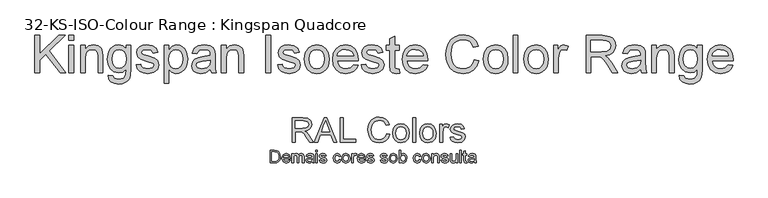
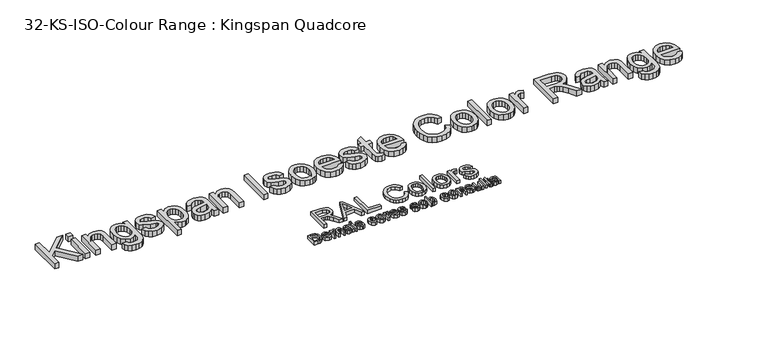
"""IFC4 building model written with IfcOpenShell, lengths in millimetres: proxy geometry, 32-KS-ISO-Colour Range : Kingspan Quadcore."""

import ifcopenshell
import ifcopenshell.guid

model = None  # the IFC model being written
_history = None  # IfcOwnerHistory: only IFC2X3 demands one
_inside = {}  # id of a spatial element -> (the spatial element, [elements in it])
_under = {}  # id of a project, library or spatial element -> (it, [spatial elements below it])
_declared = {}  # id of a project -> (the project, [libraries it declares])
_typed = {}  # id of a type object -> (the type object, [elements of that type])
_made_of = {}  # id of a material, layer set ... -> (it, [elements and type objects made of it])


def new_model(schema):
    """Start an empty IFC model of exactly this schema.

    Asked for "IFC4X3", IfcOpenShell would pick the latest addendum, in which some entities
    have other attributes; the version numbers below select the first issue.
    IFC2X3 requires an IfcOwnerHistory on every rooted entity: one is made here for all.
    """
    global model, _history
    if schema == "IFC4X3":
        model = ifcopenshell.file(schema_version=(4, 3, 0, 0))
    else:
        model = ifcopenshell.file(schema=schema)
    _inside.clear()
    _under.clear()
    _declared.clear()
    _typed.clear()
    _made_of.clear()
    _history = None
    if model.schema == "IFC2X3":
        org = make("IfcOrganization", Name="unknown")
        user = make(
            "IfcPersonAndOrganization",
            ThePerson=make("IfcPerson", FamilyName="unknown"),
            TheOrganization=org,
        )
        app = make(
            "IfcApplication",
            ApplicationDeveloper=org,
            Version="unknown",
            ApplicationFullName="unknown",
            ApplicationIdentifier="unknown",
        )
        _history = make(
            "IfcOwnerHistory",
            OwningUser=user,
            OwningApplication=app,
            ChangeAction="ADDED",
            CreationDate=0,
        )
    return model


def make(cls, **values):
    """One entity of the class cls with the attributes given. An attribute that is None is left unset."""
    return model.create_entity(
        cls, **{name: value for name, value in values.items() if value is not None}
    )


def rooted(cls, **values):
    """An entity with a GlobalId (a new one), such as an element, a storey or a relation."""
    return make(cls, GlobalId=ifcopenshell.guid.new(), OwnerHistory=_history, **values)


def si_unit(unit_type, name, prefix=None):
    """IfcSIUnit, for example si_unit("LENGTHUNIT", "METRE", prefix="MILLI")."""
    return make("IfcSIUnit", UnitType=unit_type, Prefix=prefix, Name=name)


def assignment(units):
    """IfcUnitAssignment: the units of a project."""
    return None if units is None else make("IfcUnitAssignment", Units=units)


def point(xyz):
    """IfcCartesianPoint."""
    return None if xyz is None else make("IfcCartesianPoint", Coordinates=xyz)


def direction(xyz):
    """IfcDirection."""
    return None if xyz is None else make("IfcDirection", DirectionRatios=xyz)


def frame(location, z_axis=None, x_axis=None):
    """IfcAxis2Placement3D, a coordinate frame: its origin and axes. An axis left out is left unset."""
    return make(
        "IfcAxis2Placement3D",
        Location=point(location),
        Axis=direction(z_axis),
        RefDirection=direction(x_axis),
    )


def origin():
    """The frame at (0, 0, 0) with its axes left unset."""
    return frame((0.0, 0.0, 0.0))


def origin_with_axes():
    """The frame at (0, 0, 0) with the z axis (0, 0, 1) and the x axis (1, 0, 0) written out."""
    return frame((0.0, 0.0, 0.0), z_axis=(0.0, 0.0, 1.0), x_axis=(1.0, 0.0, 0.0))


def place(relative_to, where):
    """IfcLocalPlacement: puts the frame where relative to a parent placement (None: the world)."""
    return make(
        "IfcLocalPlacement", PlacementRelTo=relative_to, RelativePlacement=where
    )


def context(
    kind, dimensions, precision=None, world=None, true_north=None, identifier=None
):
    """IfcGeometricRepresentationContext, for example the 3D "Model" context."""
    return make(
        "IfcGeometricRepresentationContext",
        ContextIdentifier=identifier,
        ContextType=kind,
        CoordinateSpaceDimension=dimensions,
        Precision=precision,
        WorldCoordinateSystem=world,
        TrueNorth=true_north,
    )


def project(units=None, contexts=None):
    """IfcProject with its units and contexts."""
    return rooted(
        "IfcProject",
        Name="project",
        RepresentationContexts=contexts,
        UnitsInContext=assignment(units),
    )


def spatial(cls, under=None, at=None, **own):
    """A site, building, storey or space (cls), placed at a placement, below another one or the project."""
    s = rooted(cls, ObjectPlacement=at, **own)
    if under is not None:
        _under.setdefault(under.id(), (under, []))[1].append(s)
    return s


def polyline(points):
    """IfcPolyline through the points."""
    return make("IfcPolyline", Points=[point(p) for p in points])


def outline(outer, holes=None, kind="AREA"):
    """IfcArbitraryClosedProfileDef: a profile drawn as a closed curve; with holes, ...WithVoids."""
    if holes is None:
        return make("IfcArbitraryClosedProfileDef", ProfileType=kind, OuterCurve=outer)
    return make(
        "IfcArbitraryProfileDefWithVoids",
        ProfileType=kind,
        OuterCurve=outer,
        InnerCurves=holes,
    )


def extrude(swept, where, along, depth):
    """IfcExtrudedAreaSolid: the profile swept, set in the frame where, extruded along a direction by depth."""
    return make(
        "IfcExtrudedAreaSolid",
        SweptArea=swept,
        Position=where,
        ExtrudedDirection=direction(along),
        Depth=depth,
    )


def shape(context_of_items, identifier, shape_type, items):
    """IfcShapeRepresentation: the items that make up one representation, for example the "Body"."""
    return make(
        "IfcShapeRepresentation",
        ContextOfItems=context_of_items,
        RepresentationIdentifier=identifier,
        RepresentationType=shape_type,
        Items=items,
    )


def source(mapping_origin, context_of_items, identifier, shape_type, items):
    """IfcRepresentationMap: a shape defined once, which mapped items show again and again."""
    return make(
        "IfcRepresentationMap",
        MappingOrigin=mapping_origin,
        MappedRepresentation=shape(context_of_items, identifier, shape_type, items),
    )


def transform(
    local_origin,
    x_axis=None,
    y_axis=None,
    z_axis=None,
    scale=None,
    scale2=None,
    scale3=None,
    uniform=True,
):
    """IfcCartesianTransformationOperator3D, or its non-uniform kind. x_axis, y_axis, z_axis: its Axis1, 2, 3."""
    if uniform:
        return make(
            "IfcCartesianTransformationOperator3D",
            Axis1=direction(x_axis),
            Axis2=direction(y_axis),
            LocalOrigin=point(local_origin),
            Scale=scale,
            Axis3=direction(z_axis),
        )
    return make(
        "IfcCartesianTransformationOperator3DnonUniform",
        Axis1=direction(x_axis),
        Axis2=direction(y_axis),
        LocalOrigin=point(local_origin),
        Scale=scale,
        Axis3=direction(z_axis),
        Scale2=scale2,
        Scale3=scale3,
    )


def mapped(mapping_source, mapping_target):
    """IfcMappedItem: shows the shape of a source again, moved by a transform."""
    return make(
        "IfcMappedItem", MappingSource=mapping_source, MappingTarget=mapping_target
    )


def made_of(thing, what):
    """Note that an element or type object is made of a material, layer set ...; save() writes the relation."""
    if what is not None:
        _made_of.setdefault(what.id(), (what, []))[1].append(thing)
    return thing


def element(
    cls,
    number,
    at=None,
    inside=None,
    cuts=None,
    type_object=None,
    material=None,
    context=None,
    identifier="Body",
    shape_type=None,
    held_by="IfcProductDefinitionShape",
    body=None,
    shapes=None,
    **own,
):
    """One element of the class cls, such as IfcWall. Its Tag is "e" and its number.

    at: its placement. inside: the storey or other place that contains it. cuts: it is an
    opening in that element (IfcRelVoidsElement). A single representation is given by context,
    identifier, shape_type and body (its items); several are given by shapes. held_by: the class
    of the entity that holds the representations. save() writes the other relations.
    """
    e = rooted(cls, Tag="e%d" % number, ObjectPlacement=at, **own)
    if body is not None:
        shapes = [shape(context, identifier, shape_type, body)]
    if shapes is not None:
        e.Representation = make(held_by, Representations=shapes)
    if inside is not None:
        _inside.setdefault(inside.id(), (inside, []))[1].append(e)
    if cuts is not None:
        rooted(
            "IfcRelVoidsElement", RelatingBuildingElement=cuts, RelatedOpeningElement=e
        )
    if type_object is not None:
        _typed.setdefault(type_object.id(), (type_object, []))[1].append(e)
    return made_of(e, material)


def aggregate(whole, parts):
    """IfcRelAggregates: a whole, such as a stair, and the parts it consists of."""
    return rooted("IfcRelAggregates", RelatingObject=whole, RelatedObjects=parts)


def save(model, path):
    """Write the relations noted so far, then the file.

    IfcRelAggregates (storeys below a building ...), IfcRelContainedInSpatialStructure (elements
    in a storey), IfcRelDefinesByType, IfcRelAssociatesMaterial and IfcRelDeclares: one each for
    every whole, place, type object, material and project.
    """
    for whole, parts in _under.values():
        aggregate(whole, parts)
    for where, things in _inside.values():
        rooted(
            "IfcRelContainedInSpatialStructure",
            RelatedElements=things,
            RelatingStructure=where,
        )
    for kind, things in _typed.values():
        rooted("IfcRelDefinesByType", RelatedObjects=things, RelatingType=kind)
    for what, things in _made_of.values():
        rooted("IfcRelAssociatesMaterial", RelatedObjects=things, RelatingMaterial=what)
    for by, libraries in _declared.values():
        rooted("IfcRelDeclares", RelatingContext=by, RelatedDefinitions=libraries)
    model.write(path)


def proxy_32_ks_iso_colour_range_kingspan_quadcore_090bf5c3(model_context):
    return source(origin(), model_context, "Body", "SweptSolid", [
        extrude(outline(polyline([(-450.3436876, 338.0446852), (-450.3436876, 388.2728402), (-433.0164456, 388.2728402), (-424.0523877, 387.549339), (-416.6702223, 383.9563582), (-410.7227967, 375.3724449), (-408.7484967, 363.4285428), (-410.0851346, 353.2933939), (-413.5186999, 345.9786735), (-418.1049621, 341.4230681), (-424.10757, 338.9030765), (-432.1825798, 338.0446852), (-450.3436876, 338.0446852)]), holes=[polyline([(-444.0651682, 344.3232045), (-432.955132, 344.3232045), (-424.8739908, 345.2306468), (-420.2141522, 347.793558), (-416.3943108, 354.0291578), (-415.0270161, 363.5266447), (-417.7064233, 375.4214959), (-424.2240659, 380.9887767), (-433.1268102, 381.9943208), (-444.0651682, 381.9943208), (-444.0651682, 344.3232045)])]), origin_with_axes(), (0.0, 0.0, 1.0), 15.0),
        extrude(outline(polyline([(-375.0750314, 349.0320941), (-368.9191393, 348.2472792), (-374.6764926, 340.1416125), (-385.4002527, 337.2598702), (-398.4355381, 342.2324085), (-403.2547922, 356.1812675), (-398.3864871, 370.589979), (-385.755872, 375.7158015), (-373.4870074, 370.6022417), (-368.7229356, 356.2180557), (-368.7597238, 354.5257985), (-396.9762728, 354.5257985), (-393.3648979, 346.371081), (-385.2776254, 343.5383896), (-379.1217333, 344.8505021), (-375.0750314, 349.0320941)]), holes=[polyline([(-396.9762728, 360.8043179), (-375.001455, 360.8043179), (-377.5153153, 366.4942261), (-385.7803974, 369.4372821), (-393.5120507, 367.0889687), (-396.9762728, 360.8043179)])]), origin_with_axes(), (0.0, 0.0, 1.0), 15.0),
        extrude(outline(polyline([(-362.4444162, 338.0446852), (-362.4444162, 374.9309865), (-356.1658968, 374.9309865), (-356.1658968, 368.8609336), (-351.8494148, 373.8334719), (-345.7057854, 375.7158015), (-339.4150033, 373.7966837), (-335.9569126, 368.4194752), (-331.0579507, 373.8917199), (-324.8714018, 375.7158015), (-316.6615019, 372.680775), (-313.785891, 363.330441), (-313.785891, 338.0446852), (-320.0644104, 338.0446852), (-320.0644104, 360.6326397), (-320.6468902, 365.8749581), (-322.7560803, 368.4562634), (-326.3429298, 369.4372821), (-332.5172159, 366.9234218), (-334.9758939, 358.8668061), (-334.9758939, 338.0446852), (-341.2544133, 338.0446852), (-341.2544133, 361.3316155), (-342.7075472, 367.4139311), (-347.471619, 369.4372821), (-352.1191949, 368.0883814), (-355.2094036, 364.1397813), (-356.1658968, 356.6472514), (-356.1658968, 338.0446852), (-362.4444162, 338.0446852)])), origin_with_axes(), (0.0, 0.0, 1.0), 15.0),
        extrude(outline(polyline([(-280.8236642, 342.7535747), (-286.9121112, 338.4984063), (-293.6382204, 337.2598702), (-302.7555625, 340.2397144), (-305.9377418, 347.8548717), (-304.7359939, 352.8212786), (-301.5783401, 356.4265222), (-297.1821503, 358.4866614), (-291.7497595, 359.4308918), (-280.8604524, 361.5891328), (-282.5527096, 367.6223976), (-289.4934166, 369.4372821), (-295.8455124, 368.2294029), (-298.8744074, 363.9435776), (-305.1529268, 364.7283925), (-302.4367314, 370.8597591), (-296.9675524, 374.4527399), (-288.6840762, 375.7158015), (-281.0750502, 374.5998927), (-276.7769623, 371.7978582), (-274.8517132, 367.5365584), (-274.5451448, 362.042854), (-274.5451448, 354.2314929), (-274.2263138, 343.3237918), (-272.975515, 338.0446852), (-279.2540344, 338.0446852), (-280.8236642, 342.7535747)]), holes=[polyline([(-280.8236642, 355.3106135), (-290.9526818, 353.3853644), (-296.3544158, 352.3675575), (-298.800831, 350.7120885), (-299.6592224, 348.2963301), (-297.7891556, 344.899553), (-292.3015825, 343.5383896), (-285.9494867, 345.0405744), (-281.8537338, 348.6764748), (-280.8604524, 353.5325172), (-280.8236642, 355.3106135)])]), origin_with_axes(), (0.0, 0.0, 1.0), 15.0),
        extrude(outline(polyline([(-265.9121807, 338.0446852), (-265.9121807, 374.9309865), (-259.6336613, 374.9309865), (-259.6336613, 338.0446852), (-265.9121807, 338.0446852)])), origin_with_axes(), (0.0, 0.0, 1.0), 15.0),
        extrude(outline(polyline([(-265.9121807, 381.9943208), (-265.9121807, 388.2728402), (-259.6336613, 388.2728402), (-259.6336613, 381.9943208), (-265.9121807, 381.9943208)])), origin_with_axes(), (0.0, 0.0, 1.0), 15.0),
        extrude(outline(polyline([(-252.570327, 349.0320941), (-246.2918076, 349.816909), (-243.3855398, 345.1570704), (-236.7268757, 343.5383896), (-230.325729, 345.0221803), (-228.2410644, 348.5047966), (-230.3379917, 351.3252252), (-236.8004521, 353.1155842), (-246.2550194, 356.1873989), (-250.3814291, 359.7742483), (-251.7855121, 364.8387571), (-250.6573406, 369.5169898), (-247.5793946, 373.0915766), (-243.5878749, 374.9493806), (-238.186141, 375.7158015), (-230.5464582, 374.4833968), (-225.6904159, 371.1479334), (-223.5321748, 365.5132075), (-229.8106942, 364.7283925), (-232.1712704, 368.1926147), (-237.6956316, 369.4372821), (-243.7043709, 368.247797), (-245.5069927, 365.4764193), (-244.758966, 363.649272), (-242.4167839, 362.2635832), (-237.0089186, 360.9269453), (-227.7934746, 357.9716266), (-223.5137807, 354.6239004), (-221.962545, 349.1669841), (-223.7835609, 343.1582449), (-229.038142, 338.7988432), (-236.8127149, 337.2598702), (-247.7633356, 340.2274517), (-252.570327, 349.0320941)])), origin_with_axes(), (0.0, 0.0, 1.0), 15.0),
        extrude(outline(polyline([(-171.7343899, 351.3865388), (-165.4558705, 350.6017239), (-170.4958539, 340.7976688), (-180.4531932, 337.2598702), (-192.3541757, 342.1956203), (-196.8484675, 356.3529458), (-194.9293497, 366.7824003), (-189.080026, 373.483984), (-180.5390323, 375.7158015), (-170.9924946, 372.6501182), (-166.2406855, 363.9435776), (-172.5192048, 363.1587627), (-175.431604, 367.8615209), (-180.4899814, 369.4372821), (-187.7679135, 366.3348106), (-190.5699481, 356.524624), (-187.8292272, 346.622467), (-180.6616597, 343.5383896), (-174.7448909, 345.4636387), (-171.7343899, 351.3865388)])), origin_with_axes(), (0.0, 0.0, 1.0), 15.0),
        extrude(outline(polyline([(-161.5317959, 356.4878358), (-160.1736982, 365.3813831), (-156.0994051, 371.6323113), (-145.0384198, 375.7158015), (-133.1742255, 370.7432632), (-128.5695691, 357.0028706), (-130.6051829, 345.8315207), (-136.5342143, 339.5100818), (-145.0384198, 337.2598702), (-156.9761905, 342.2140144), (-161.5317959, 356.4878358)]), holes=[polyline([(-155.2532765, 356.5000986), (-152.3470088, 346.7696198), (-145.0384198, 343.5383896), (-137.7543563, 346.7880139), (-134.8480885, 356.6963023), (-137.7727504, 366.2060519), (-145.0384198, 369.4372821), (-152.3470088, 366.2183146), (-155.2532765, 356.5000986)])]), origin_with_axes(), (0.0, 0.0, 1.0), 15.0),
        extrude(outline(polyline([(-121.5062348, 338.0446852), (-121.5062348, 374.9309865), (-116.0125304, 374.9309865), (-116.0125304, 369.4740703), (-112.1129812, 374.5017909), (-108.1889066, 375.7158015), (-101.8858618, 373.7782896), (-103.9827891, 368.1496951), (-108.3973731, 369.4372821), (-111.9474343, 368.198746), (-114.2099086, 364.7651807), (-115.2277155, 357.4320663), (-115.2277155, 338.0446852), (-121.5062348, 338.0446852)])), origin_with_axes(), (0.0, 0.0, 1.0), 15.0),
        extrude(outline(polyline([(-72.1364711, 349.0320941), (-65.980579, 348.2472792), (-71.7379323, 340.1416125), (-82.4616924, 337.2598702), (-95.4969778, 342.2324085), (-100.3162319, 356.1812675), (-95.4479268, 370.589979), (-82.8173117, 375.7158015), (-70.5484471, 370.6022417), (-65.7843753, 356.2180557), (-65.8211635, 354.5257985), (-94.0377125, 354.5257985), (-90.4263376, 346.371081), (-82.3390651, 343.5383896), (-76.183173, 344.8505021), (-72.1364711, 349.0320941)]), holes=[polyline([(-94.0377125, 360.8043179), (-72.0628947, 360.8043179), (-74.576755, 366.4942261), (-82.8418371, 369.4372821), (-90.5734904, 367.0889687), (-94.0377125, 360.8043179)])]), origin_with_axes(), (0.0, 0.0, 1.0), 15.0),
        extrude(outline(polyline([(-61.8603007, 349.0320941), (-55.5817813, 349.816909), (-52.6755135, 345.1570704), (-46.0168494, 343.5383896), (-39.6157027, 345.0221803), (-37.5310381, 348.5047966), (-39.6279654, 351.3252252), (-46.0904258, 353.1155842), (-55.5449931, 356.1873989), (-59.6714028, 359.7742483), (-61.0754858, 364.8387571), (-59.9473143, 369.5169898), (-56.8693683, 373.0915766), (-52.8778486, 374.9493806), (-47.4761147, 375.7158015), (-39.8364319, 374.4833968), (-34.9803896, 371.1479334), (-32.8221485, 365.5132075), (-39.1006679, 364.7283925), (-41.4612441, 368.1926147), (-46.9856053, 369.4372821), (-52.9943446, 368.247797), (-54.7969664, 365.4764193), (-54.0489397, 363.649272), (-51.7067576, 362.2635832), (-46.2988923, 360.9269453), (-37.0834483, 357.9716266), (-32.8037544, 354.6239004), (-31.2525187, 349.1669841), (-33.0735346, 343.1582449), (-38.3281157, 338.7988432), (-46.1026886, 337.2598702), (-57.0533093, 340.2274517), (-61.8603007, 349.0320941)])), origin_with_axes(), (0.0, 0.0, 1.0), 15.0),
        extrude(outline(polyline([(-6.9232561, 349.0320941), (-0.6447367, 349.816909), (2.2615311, 345.1570704), (8.9201952, 343.5383896), (15.3213419, 345.0221803), (17.4060065, 348.5047966), (15.3090792, 351.3252252), (8.8466188, 353.1155842), (-0.6079485, 356.1873989), (-4.7343582, 359.7742483), (-6.1384412, 364.8387571), (-5.0102697, 369.5169898), (-1.9323237, 373.0915766), (2.059196, 374.9493806), (7.4609299, 375.7158015), (15.1006127, 374.4833968), (19.956655, 371.1479334), (22.1148961, 365.5132075), (15.8363767, 364.7283925), (13.4758006, 368.1926147), (7.9514393, 369.4372821), (1.9427, 368.247797), (0.1400782, 365.4764193), (0.888105, 363.649272), (3.230287, 362.2635832), (8.6381523, 360.9269453), (17.8535963, 357.9716266), (22.1332902, 354.6239004), (23.6845259, 349.1669841), (21.86351, 343.1582449), (16.6089289, 338.7988432), (8.8343561, 337.2598702), (-2.1162647, 340.2274517), (-6.9232561, 349.0320941)])), origin_with_axes(), (0.0, 0.0, 1.0), 15.0),
        extrude(outline(polyline([(29.1782304, 356.4878358), (30.5363281, 365.3813831), (34.6106212, 371.6323113), (45.6716065, 375.7158015), (57.5358008, 370.7432632), (62.1404572, 357.0028706), (60.1048434, 345.8315207), (54.175812, 339.5100818), (45.6716065, 337.2598702), (33.7338358, 342.2140144), (29.1782304, 356.4878358)]), holes=[polyline([(35.4567498, 356.5000986), (38.3630175, 346.7696198), (45.6716065, 343.5383896), (52.95567, 346.7880139), (55.8619378, 356.6963023), (52.9372759, 366.2060519), (45.6716065, 369.4372821), (38.3630175, 366.2183146), (35.4567498, 356.5000986)])]), origin_with_axes(), (0.0, 0.0, 1.0), 15.0),
        extrude(outline(polyline([(75.4823108, 338.0446852), (69.2037915, 338.0446852), (69.2037915, 388.2728402), (75.4823108, 388.2728402), (75.4823108, 369.6457485), (85.3415483, 375.7158015), (91.6323304, 374.3485067), (96.5128982, 370.5041399), (99.5111365, 364.5260574), (100.5963884, 357.0396588), (96.1020967, 342.4224809), (85.3047601, 337.2598702), (79.7221508, 338.9245363), (75.4823108, 343.9185343), (75.4823108, 338.0446852)]), holes=[polyline([(75.4823108, 356.7453532), (77.1990935, 347.9652363), (84.7651999, 343.5383896), (91.4851776, 346.8002766), (94.317869, 356.524624), (91.6016736, 366.2857597), (85.03498, 369.4372821), (78.3150022, 366.1753951), (75.4823108, 356.7453532)])]), origin_with_axes(), (0.0, 0.0, 1.0), 15.0),
        extrude(outline(polyline([(150.8245435, 351.3865388), (157.1030628, 350.6017239), (152.0630795, 340.7976688), (142.1057402, 337.2598702), (130.2047576, 342.1956203), (125.7104659, 356.3529458), (127.6295837, 366.7824003), (133.4789074, 373.483984), (142.019901, 375.7158015), (151.5664388, 372.6501182), (156.3182479, 363.9435776), (150.0397285, 363.1587627), (147.1273294, 367.8615209), (142.068952, 369.4372821), (134.7910198, 366.3348106), (131.9889853, 356.524624), (134.7297062, 346.622467), (141.8972737, 343.5383896), (147.8140425, 345.4636387), (150.8245435, 351.3865388)])), origin_with_axes(), (0.0, 0.0, 1.0), 15.0),
        extrude(outline(polyline([(161.0271375, 356.4878358), (162.3852352, 365.3813831), (166.4595283, 371.6323113), (177.5205136, 375.7158015), (189.3847079, 370.7432632), (193.9893642, 357.0028706), (191.9537505, 345.8315207), (186.024719, 339.5100818), (177.5205136, 337.2598702), (165.5827428, 342.2140144), (161.0271375, 356.4878358)]), holes=[polyline([(167.3056568, 356.5000986), (170.2119246, 346.7696198), (177.5205136, 343.5383896), (184.8045771, 346.7880139), (187.7108448, 356.6963023), (184.786183, 366.2060519), (177.5205136, 369.4372821), (170.2119246, 366.2183146), (167.3056568, 356.5000986)])]), origin_with_axes(), (0.0, 0.0, 1.0), 15.0),
        extrude(outline(polyline([(201.0526985, 338.0446852), (201.0526985, 374.9309865), (207.3312179, 374.9309865), (207.3312179, 369.7806386), (212.132078, 374.2320107), (218.6865088, 375.7158015), (224.6155403, 374.520185), (228.6622423, 371.3809253), (230.5445718, 366.7640062), (230.8756656, 360.6939533), (230.8756656, 338.0446852), (224.5971462, 338.0446852), (224.5971462, 359.8478247), (223.873645, 365.4028429), (221.3168651, 368.3397675), (217.0065144, 369.4372821), (210.1945661, 366.9724727), (207.3312179, 357.6160073), (207.3312179, 338.0446852), (201.0526985, 338.0446852)])), origin_with_axes(), (0.0, 0.0, 1.0), 15.0),
        extrude(outline(polyline([(237.154185, 349.0320941), (243.4327044, 349.816909), (246.3389721, 345.1570704), (252.9976363, 343.5383896), (259.398783, 345.0221803), (261.4834476, 348.5047966), (259.3865202, 351.3252252), (252.9240599, 353.1155842), (243.4694926, 356.1873989), (239.3430829, 359.7742483), (237.9389999, 364.8387571), (239.0671714, 369.5169898), (242.1451174, 373.0915766), (246.136637, 374.9493806), (251.538371, 375.7158015), (259.1780538, 374.4833968), (264.0340961, 371.1479334), (266.1923371, 365.5132075), (259.9138178, 364.7283925), (257.5532416, 368.1926147), (252.0288803, 369.4372821), (246.0201411, 368.247797), (244.2175193, 365.4764193), (244.965546, 363.649272), (247.3077281, 362.2635832), (252.7155934, 360.9269453), (261.9310374, 357.9716266), (266.2107312, 354.6239004), (267.761967, 349.1669841), (265.9409511, 343.1582449), (260.68637, 338.7988432), (252.9117971, 337.2598702), (241.9611764, 340.2274517), (237.154185, 349.0320941)])), origin_with_axes(), (0.0, 0.0, 1.0), 15.0),
        extrude(outline(polyline([(298.369749, 338.0446852), (298.369749, 344.3845182), (293.452393, 339.0410322), (287.0389835, 337.2598702), (281.1344775, 338.510669), (277.0632501, 341.6499287), (275.1931833, 346.2729791), (274.8253013, 352.1100401), (274.8253013, 374.9309865), (281.1038207, 374.9309865), (281.1038207, 355.0653588), (281.4839654, 348.6642121), (283.9671689, 344.9056844), (288.6454016, 343.5383896), (293.88772, 344.9363412), (297.3519421, 348.7439198), (298.369749, 355.7398091), (298.369749, 374.9309865), (304.6482684, 374.9309865), (304.6482684, 338.0446852), (298.369749, 338.0446852)])), origin_with_axes(), (0.0, 0.0, 1.0), 15.0),
        extrude(outline(polyline([(313.2812325, 338.0446852), (313.2812325, 388.2728402), (319.5597519, 388.2728402), (319.5597519, 338.0446852), (313.2812325, 338.0446852)])), origin_with_axes(), (0.0, 0.0, 1.0), 15.0),
        extrude(outline(polyline([(342.3193847, 343.2808722), (343.1041996, 337.8607442), (338.4075728, 337.2598702), (333.1468603, 338.3022026), (330.5226354, 341.036792), (329.7623459, 348.16144), (329.7623459, 368.6524672), (325.0534564, 368.6524672), (325.0534564, 374.9309865), (329.7623459, 374.9309865), (329.7623459, 383.8950445), (336.0408653, 387.5861272), (336.0408653, 374.9309865), (342.3193847, 374.9309865), (342.3193847, 368.6524672), (336.0408653, 368.6524672), (336.0408653, 348.345381), (336.3719591, 345.1080195), (339.5847952, 343.5383896), (342.3193847, 343.2808722)])), origin_with_axes(), (0.0, 0.0, 1.0), 15.0),
        extrude(outline(polyline([(372.1423518, 342.7535747), (366.0539047, 338.4984063), (359.3277956, 337.2598702), (350.2104535, 340.2397144), (347.0282742, 347.8548717), (348.2300221, 352.8212786), (351.3876759, 356.4265222), (355.7838657, 358.4866614), (361.2162565, 359.4308918), (372.1055636, 361.5891328), (370.4133064, 367.6223976), (363.4725994, 369.4372821), (357.1205036, 368.2294029), (354.0916085, 363.9435776), (347.8130891, 364.7283925), (350.5292845, 370.8597591), (355.9984635, 374.4527399), (364.2819398, 375.7158015), (371.8909657, 374.5998927), (376.1890537, 371.7978582), (378.1143028, 367.5365584), (378.4208711, 362.042854), (378.4208711, 354.2314929), (378.7397022, 343.3237918), (379.990501, 338.0446852), (373.7119816, 338.0446852), (372.1423518, 342.7535747)]), holes=[polyline([(372.1423518, 355.3106135), (362.0133342, 353.3853644), (356.6116002, 352.3675575), (354.1651849, 350.7120885), (353.3067936, 348.2963301), (355.1768604, 344.899553), (360.6644335, 343.5383896), (367.0165293, 345.0405744), (371.1122822, 348.6764748), (372.1055636, 353.5325172), (372.1423518, 355.3106135)])]), origin_with_axes(), (0.0, 0.0, 1.0), 15.0),
        extrude(outline(polyline([(-1397.4013121, 700.0), (-1397.4013121, 850.6844652), (-1378.5657539, 850.6844652), (-1378.5657539, 776.9241252), (-1301.310535, 850.6844652), (-1274.9701841, 850.6844652), (-1339.8277798, 788.7331372), (-1272.6157393, 700.0), (-1295.6451522, 700.0), (-1353.1818963, 776.0044202), (-1378.5657539, 751.7977849), (-1378.5657539, 700.0), (-1397.4013121, 700.0)])), origin_with_axes(), (0.0, 0.0, 1.0), 25.0),
        extrude(outline(polyline([(-1260.8435155, 831.8489071), (-1260.8435155, 850.6844652), (-1242.0079573, 850.6844652), (-1242.0079573, 831.8489071), (-1260.8435155, 831.8489071)])), origin_with_axes(), (0.0, 0.0, 1.0), 25.0),
        extrude(outline(polyline([(-1260.8435155, 700.0), (-1260.8435155, 810.6589041), (-1242.0079573, 810.6589041), (-1242.0079573, 700.0), (-1260.8435155, 700.0)])), origin_with_axes(), (0.0, 0.0, 1.0), 25.0),
        extrude(outline(polyline([(-1213.7546201, 700.0), (-1213.7546201, 810.6589041), (-1194.9190619, 810.6589041), (-1194.9190619, 795.2078604), (-1180.5164818, 808.5619768), (-1160.8531892, 813.0133489), (-1143.0660947, 809.4264995), (-1130.9259889, 800.0087204), (-1125.2790003, 786.1579633), (-1124.2857189, 767.9478045), (-1124.2857189, 700.0), (-1143.121277, 700.0), (-1143.121277, 765.4094187), (-1145.2917808, 782.0744731), (-1152.9621204, 790.8852469), (-1165.8931725, 794.1777908), (-1176.9250339, 792.3291837), (-1186.3290174, 786.7833627), (-1192.7715508, 776.0687996), (-1194.9190619, 758.7139664), (-1194.9190619, 700.0), (-1213.7546201, 700.0)])), origin_with_axes(), (0.0, 0.0, 1.0), 25.0),
        extrude(outline(polyline([(-1103.095716, 690.5822209), (-1084.2601578, 688.2277762), (-1078.1533167, 678.2949623), (-1059.8695815, 674.1011075), (-1040.592565, 678.8467853), (-1031.3955151, 692.1641135), (-1030.1079281, 714.1266686), (-1043.370074, 703.5316672), (-1059.5384877, 700.0), (-1078.9580585, 704.1110813), (-1093.4388136, 716.4443252), (-1102.4473239, 734.5257252), (-1105.4501607, 755.8812751), (-1100.0606895, 785.0727114), (-1093.4664047, 796.9231102), (-1084.4624929, 805.7292854), (-1073.3570552, 811.192333), (-1060.4581927, 813.0133489), (-1043.6551826, 808.8930706), (-1030.1079281, 796.5322355), (-1030.1079281, 810.6589041), (-1011.27237, 810.6589041), (-1011.27237, 715.11995), (-1012.5599569, 693.0608259), (-1016.4227179, 678.5340856), (-1023.0767835, 668.9001758), (-1032.7382844, 661.5195433), (-1045.1956884, 656.8290479), (-1060.2374635, 655.2655494), (-1077.7624421, 657.4682428), (-1091.5626154, 664.0763232), (-1100.4147759, 675.1081845), (-1103.095716, 690.5822209)]), holes=[polyline([(-1086.6146026, 757.1688621), (-1084.6050472, 739.8922039), (-1078.576381, 728.0142139), (-1069.5126883, 721.1302221), (-1058.3980535, 718.8355582), (-1047.3661922, 721.1164265), (-1038.2565143, 727.9590316), (-1032.1450747, 739.6852702), (-1030.1079281, 756.6170391), (-1032.2048555, 772.9464011), (-1038.4956376, 784.7048294), (-1047.7386727, 791.8095504), (-1058.6923591, 794.1777908), (-1069.448309, 791.8463386), (-1078.4660164, 784.8519822), (-1084.577456, 773.2682979), (-1086.6146026, 757.1688621)])]), origin_with_axes(), (0.0, 0.0, 1.0), 25.0),
        extrude(outline(polyline([(-990.082367, 732.9622268), (-971.2468089, 735.3166715), (-968.2761618, 727.2600558), (-962.5280056, 721.3371557), (-942.5520133, 716.4811134), (-923.3485731, 720.9324855), (-917.0945792, 731.3803342), (-918.6672747, 736.1811942), (-923.3853613, 739.8416201), (-942.7727425, 745.2126972), (-971.1364443, 754.4281412), (-983.5156734, 765.1886895), (-987.7279223, 780.3822159), (-984.3434079, 794.4169141), (-975.1095698, 805.1406742), (-963.1350109, 810.7140864), (-946.929809, 813.0133489), (-924.0107607, 809.3161349), (-909.4426337, 799.3097446), (-902.9679106, 782.4055669), (-921.8034687, 780.0511222), (-928.8851971, 790.4437885), (-945.458281, 794.1777908), (-963.4844988, 790.6093354), (-968.8923641, 782.2952023), (-966.6482839, 776.8137606), (-959.6217378, 772.656694), (-943.3981418, 768.6467803), (-915.7518099, 759.7808242), (-902.9127283, 749.7376457), (-898.259021, 733.366897), (-903.7220687, 715.3406792), (-919.4858122, 702.2624743), (-942.8095307, 697.6455552), (-961.8014387, 699.8712413), (-975.6613928, 706.5482995), (-984.913625, 717.6031535), (-990.082367, 732.9622268)])), origin_with_axes(), (0.0, 0.0, 1.0), 25.0),
        extrude(outline(polyline([(-877.0690181, 657.6199942), (-877.0690181, 810.6589041), (-858.23346, 810.6589041), (-858.23346, 792.191228), (-845.2104373, 807.8078187), (-827.625678, 813.0133489), (-814.8877639, 811.192333), (-803.7501365, 805.7292854), (-794.6818453, 796.9552998), (-788.1519399, 785.2014701), (-782.8912273, 756.1755807), (-784.3765509, 740.0669478), (-788.8325216, 725.6597692), (-796.1165851, 713.6852102), (-806.0861871, 704.8744364), (-817.6974626, 699.4527755), (-829.9065463, 697.6455552), (-846.2956892, 702.4832035), (-858.23346, 714.7152798), (-858.23346, 657.6199942), (-877.0690181, 657.6199942)]), holes=[polyline([(-858.23346, 754.4465353), (-856.1963134, 737.5607517), (-850.0848738, 725.7517397), (-841.0671664, 718.79877), (-830.3112165, 716.4811134), (-819.3805227, 718.8815434), (-810.1328891, 726.0828335), (-803.8283114, 738.3241068), (-801.7267855, 755.8444869), (-803.7777276, 772.6382999), (-809.930554, 784.6128589), (-818.9344658, 791.7865578), (-829.5386643, 794.1777908), (-840.1842496, 791.6348065), (-849.5330508, 784.0058536), (-856.0583577, 771.5300554), (-858.23346, 754.4465353)])]), origin_with_axes(), (0.0, 0.0, 1.0), 25.0),
        extrude(outline(polyline([(-691.0678814, 714.1266686), (-709.3332224, 701.3611634), (-729.5115498, 697.6455552), (-745.2523007, 699.8804384), (-756.8635762, 706.5850877), (-764.0234795, 716.7662219), (-766.410114, 729.4305596), (-762.8048704, 744.3297804), (-753.331909, 755.1455111), (-740.1433395, 761.3259286), (-723.8461671, 764.15862), (-691.178246, 770.6333431), (-691.0678814, 774.8271978), (-692.3646654, 783.2333014), (-696.2550175, 788.7331372), (-704.9554267, 792.8166274), (-717.0771384, 794.1777908), (-736.1334258, 790.5541531), (-745.220111, 777.6966774), (-764.0556692, 780.0511222), (-755.907083, 798.4452219), (-739.499546, 809.2241644), (-714.6491172, 813.0133489), (-691.8220394, 809.6656228), (-678.9277755, 801.2595192), (-673.1520282, 788.4756198), (-672.2323232, 771.9945065), (-672.2323232, 748.5604234), (-671.27583, 715.8373199), (-667.5234337, 700.0), (-686.3589918, 700.0), (-691.0678814, 714.1266686)]), holes=[polyline([(-691.0678814, 751.7977849), (-721.4549342, 746.0220376), (-737.660136, 742.968617), (-744.9993818, 738.0022101), (-747.5745558, 730.7549348), (-741.9643554, 720.5646035), (-725.5016361, 716.4811134), (-706.4453488, 720.9876678), (-694.1580901, 731.895369), (-691.178246, 746.463496), (-691.0678814, 751.7977849)])]), origin_with_axes(), (0.0, 0.0, 1.0), 25.0),
        extrude(outline(polyline([(-646.3334307, 700.0), (-646.3334307, 810.6589041), (-627.4978726, 810.6589041), (-627.4978726, 795.2078604), (-613.0952925, 808.5619768), (-593.4319998, 813.0133489), (-575.6449054, 809.4264995), (-563.5047995, 800.0087204), (-557.8578109, 786.1579633), (-556.8645295, 767.9478045), (-556.8645295, 700.0), (-575.7000877, 700.0), (-575.7000877, 765.4094187), (-577.8705914, 782.0744731), (-585.540931, 790.8852469), (-598.4719832, 794.1777908), (-609.5038445, 792.3291837), (-618.907828, 786.7833627), (-625.3503614, 776.0687996), (-627.4978726, 758.7139664), (-627.4978726, 700.0), (-646.3334307, 700.0)])), origin_with_axes(), (0.0, 0.0, 1.0), 25.0),
        extrude(outline(polyline([(-467.3956283, 700.0), (-467.3956283, 850.6844652), (-448.5600701, 850.6844652), (-448.5600701, 700.0), (-467.3956283, 700.0)])), origin_with_axes(), (0.0, 0.0, 1.0), 25.0),
        extrude(outline(polyline([(-420.3067329, 732.9622268), (-401.4711747, 735.3166715), (-398.5005276, 727.2600558), (-392.7523715, 721.3371557), (-372.7763791, 716.4811134), (-353.572939, 720.9324855), (-347.3189451, 731.3803342), (-348.8916406, 736.1811942), (-353.6097272, 739.8416201), (-372.9971083, 745.2126972), (-401.3608102, 754.4281412), (-413.7400393, 765.1886895), (-417.9522881, 780.3822159), (-414.5677738, 794.4169141), (-405.3339357, 805.1406742), (-393.3593768, 810.7140864), (-377.1541749, 813.0133489), (-354.2351266, 809.3161349), (-339.6669996, 799.3097446), (-333.1922764, 782.4055669), (-352.0278346, 780.0511222), (-359.109563, 790.4437885), (-375.6826469, 794.1777908), (-393.7088647, 790.6093354), (-399.11673, 782.2952023), (-396.8726498, 776.8137606), (-389.8461037, 772.656694), (-373.6225077, 768.6467803), (-345.9761758, 759.7808242), (-333.1370941, 749.7376457), (-328.4833869, 733.366897), (-333.9464345, 715.3406792), (-349.710178, 702.2624743), (-373.0338965, 697.6455552), (-392.0258045, 699.8712413), (-405.8857587, 706.5482995), (-415.1379909, 717.6031535), (-420.3067329, 732.9622268)])), origin_with_axes(), (0.0, 0.0, 1.0), 25.0),
        extrude(outline(polyline([(-312.0022735, 755.3294521), (-307.9279804, 782.0100938), (-295.7051011, 800.7628785), (-280.6035452, 809.9507313), (-262.5221452, 813.0133489), (-242.7346924, 809.2839452), (-226.9295621, 798.095734), (-216.5690854, 780.3316322), (-213.1155932, 756.8745565), (-214.6423035, 737.8458603), (-219.2224343, 723.3605067), (-226.7226285, 712.5125864), (-237.0095288, 704.3961898), (-249.2278096, 699.3332139), (-262.5221452, 697.6455552), (-282.5487213, 701.3611634), (-298.3354574, 712.5079878), (-308.5855695, 730.6445702), (-312.0022735, 755.3294521)]), holes=[polyline([(-293.1667154, 755.3662403), (-290.9870145, 738.3195083), (-284.4479121, 726.174804), (-274.6070687, 718.904536), (-262.5221452, 716.4811134), (-250.4924039, 718.9183316), (-240.6699547, 726.2299863), (-234.1308522, 738.535639), (-231.9511514, 755.9548515), (-234.1446478, 772.5049427), (-240.725137, 784.4841002), (-250.5613818, 791.7543681), (-262.5221452, 794.1777908), (-274.6070687, 791.7635652), (-284.4479121, 784.5208884), (-290.9870145, 772.4037752), (-293.1667154, 755.3662403)])]), origin_with_axes(), (0.0, 0.0, 1.0), 25.0),
        extrude(outline(polyline([(-114.4496421, 732.9622268), (-95.981966, 730.607782), (-102.6360315, 716.6926455), (-113.2540256, 706.2907821), (-127.5968249, 699.806862), (-145.4253061, 697.6455552), (-167.525817, 701.374959), (-184.5311622, 712.5631701), (-195.374484, 730.4836218), (-198.9889246, 754.4097471), (-195.3376958, 779.1406142), (-184.3840094, 797.6358815), (-167.6085904, 809.1689821), (-146.4921639, 813.0133489), (-126.0333264, 809.1781791), (-109.6855703, 797.6726697), (-98.9664086, 779.2141906), (-95.3933548, 754.5201117), (-95.5037194, 749.4433402), (-180.1533665, 749.4433402), (-176.8930123, 735.3442627), (-169.3192417, 724.9791875), (-158.3885479, 718.6056319), (-145.0574241, 716.4811134), (-126.589748, 720.4174507), (-114.4496421, 732.9622268)]), holes=[polyline([(-180.1533665, 768.2788983), (-114.2289129, 768.2788983), (-116.7764957, 778.2301063), (-121.7704938, 785.3486229), (-132.7517714, 791.9704988), (-146.5657403, 794.1777908), (-159.2622677, 792.4165557), (-169.7607001, 787.1328506), (-177.0585592, 778.8968924), (-180.1533665, 768.2788983)])]), origin_with_axes(), (0.0, 0.0, 1.0), 25.0),
        extrude(outline(polyline([(-83.6211309, 732.9622268), (-64.7855728, 735.3166715), (-61.8149257, 727.2600558), (-56.0667695, 721.3371557), (-36.0907771, 716.4811134), (-16.887337, 720.9324855), (-10.6333431, 731.3803342), (-12.2060386, 736.1811942), (-16.9241252, 739.8416201), (-36.3115063, 745.2126972), (-64.6752082, 754.4281412), (-77.0544373, 765.1886895), (-81.2666861, 780.3822159), (-77.8821718, 794.4169141), (-68.6483337, 805.1406742), (-56.6737748, 810.7140864), (-40.4685729, 813.0133489), (-17.5495246, 809.3161349), (-2.9813976, 799.3097446), (3.4933255, 782.4055669), (-15.3422326, 780.0511222), (-22.423961, 790.4437885), (-38.9970449, 794.1777908), (-57.0232627, 790.6093354), (-62.431128, 782.2952023), (-60.1870478, 776.8137606), (-53.1605017, 772.656694), (-36.9369057, 768.6467803), (-9.2905738, 759.7808242), (3.5485078, 749.7376457), (8.2022151, 733.366897), (2.7391675, 715.3406792), (-13.024576, 702.2624743), (-36.3482945, 697.6455552), (-55.3402025, 699.8712413), (-69.2001567, 706.5482995), (-78.4523889, 717.6031535), (-83.6211309, 732.9622268)])), origin_with_axes(), (0.0, 0.0, 1.0), 25.0),
        extrude(outline(polyline([(69.4177791, 715.7085612), (71.7722238, 699.448177), (57.6823434, 697.6455552), (41.9002058, 700.7725522), (34.0275311, 708.9763207), (31.7466628, 730.3502646), (31.7466628, 791.823346), (17.6199942, 791.823346), (17.6199942, 810.6589041), (31.7466628, 810.6589041), (31.7466628, 837.551078), (50.5822209, 848.6243261), (50.5822209, 810.6589041), (69.4177791, 810.6589041), (69.4177791, 791.823346), (50.5822209, 791.823346), (50.5822209, 730.9020876), (51.5755023, 721.1900029), (54.7944698, 717.7503063), (61.2140106, 716.4811134), (69.4177791, 715.7085612)])), origin_with_axes(), (0.0, 0.0, 1.0), 25.0),
        extrude(outline(polyline([(165.7292854, 732.9622268), (184.1969616, 730.607782), (177.542896, 716.6926455), (166.9249019, 706.2907821), (152.5821026, 699.806862), (134.7536214, 697.6455552), (112.6531106, 701.374959), (95.6477653, 712.5631701), (84.8044435, 730.4836218), (81.1900029, 754.4097471), (84.8412317, 779.1406142), (95.7949181, 797.6358815), (112.5703371, 809.1689821), (133.6867636, 813.0133489), (154.1456011, 809.1781791), (170.4933573, 797.6726697), (181.2125189, 779.2141906), (184.7855728, 754.5201117), (184.6752082, 749.4433402), (100.0255611, 749.4433402), (103.2859153, 735.3442627), (110.8596858, 724.9791875), (121.7903796, 718.6056319), (135.1215034, 716.4811134), (153.5891796, 720.4174507), (165.7292854, 732.9622268)]), holes=[polyline([(100.0255611, 768.2788983), (165.9500146, 768.2788983), (163.4024318, 778.2301063), (158.4084337, 785.3486229), (147.4271562, 791.9704988), (133.6131872, 794.1777908), (120.9166599, 792.4165557), (110.4182274, 787.1328506), (103.1203684, 778.8968924), (100.0255611, 768.2788983)])]), origin_with_axes(), (0.0, 0.0, 1.0), 25.0),
        extrude(outline(polyline([(370.7867095, 753.5636185), (389.6222677, 748.7075762), (380.9310555, 726.7588166), (367.2918306, 710.7237602), (349.3759774, 700.9151065), (327.8548807, 697.6455552), (306.0072887, 700.1195616), (288.6570541, 707.5415809), (275.35812, 719.6540956), (265.6644294, 736.1995883), (259.7461278, 755.6513488), (257.7733606, 776.4826668), (260.0036452, 798.454419), (266.694499, 817.4279329), (277.4964341, 832.8008017), (292.0599626, 843.9706188), (309.3320222, 850.7718372), (328.2595509, 853.03891), (348.9115264, 850.1050511), (365.9858495, 841.3034743), (378.9490913, 827.1768057), (387.2678229, 808.2676712), (368.4322648, 803.7795108), (361.9023593, 817.5153048), (352.981221, 826.9376824), (341.558485, 832.3869345), (327.5237869, 834.2033518), (311.3461762, 832.1891979), (298.0564391, 826.1467361), (287.9718739, 816.710563), (281.4097788, 804.5152748), (276.6089188, 776.519455), (278.029863, 759.1186366), (282.2926956, 744.072263), (289.558365, 731.9551498), (299.9878196, 723.3421126), (312.4912089, 718.1963632), (325.9786825, 716.4811134), (341.7010393, 718.8171641), (354.8022368, 725.8253161), (364.693664, 737.431993), (370.7867095, 753.5636185)])), origin_with_axes(), (0.0, 0.0, 1.0), 25.0),
        extrude(outline(polyline([(408.4578258, 755.3294521), (412.5321189, 782.0100938), (424.7549982, 800.7628785), (439.8565541, 809.9507313), (457.9379542, 813.0133489), (477.725407, 809.2839452), (493.5305372, 798.095734), (503.8910139, 780.3316322), (507.3445061, 756.8745565), (505.8177959, 737.8458603), (501.237665, 723.3605067), (493.7374708, 712.5125864), (483.4505705, 704.3961898), (471.2322898, 699.3332139), (457.9379542, 697.6455552), (437.9113781, 701.3611634), (422.124642, 712.5079878), (411.8745299, 730.6445702), (408.4578258, 755.3294521)]), holes=[polyline([(427.293384, 755.3662403), (429.4730848, 738.3195083), (436.0121873, 726.174804), (445.8530306, 718.904536), (457.9379542, 716.4811134), (469.9676954, 718.9183316), (479.7901447, 726.2299863), (486.3292472, 738.535639), (488.508948, 755.9548515), (486.3154516, 772.5049427), (479.7349624, 784.4841002), (469.8987176, 791.7543681), (457.9379542, 794.1777908), (445.8530306, 791.7635652), (436.0121873, 784.5208884), (429.4730848, 772.4037752), (427.293384, 755.3662403)])]), origin_with_axes(), (0.0, 0.0, 1.0), 25.0),
        extrude(outline(polyline([(528.5345091, 700.0), (528.5345091, 850.6844652), (547.3700672, 850.6844652), (547.3700672, 700.0), (528.5345091, 700.0)])), origin_with_axes(), (0.0, 0.0, 1.0), 25.0),
        extrude(outline(polyline([(570.9145149, 755.3294521), (574.988808, 782.0100938), (587.2116873, 800.7628785), (602.3132432, 809.9507313), (620.3946433, 813.0133489), (640.1820961, 809.2839452), (655.9872263, 798.095734), (666.347703, 780.3316322), (669.8011952, 756.8745565), (668.2744849, 737.8458603), (663.6943541, 723.3605067), (656.1941599, 712.5125864), (645.9072596, 704.3961898), (633.6889789, 699.3332139), (620.3946433, 697.6455552), (600.3680671, 701.3611634), (584.581331, 712.5079878), (574.3312189, 730.6445702), (570.9145149, 755.3294521)]), holes=[polyline([(589.7500731, 755.3662403), (591.9297739, 738.3195083), (598.4688763, 726.174804), (608.3097197, 718.904536), (620.3946433, 716.4811134), (632.4243845, 718.9183316), (642.2468338, 726.2299863), (648.7859362, 738.535639), (650.9656371, 755.9548515), (648.7721407, 772.5049427), (642.1916515, 784.4841002), (632.3554066, 791.7543681), (620.3946433, 794.1777908), (608.3097197, 791.7635652), (598.4688763, 784.5208884), (591.9297739, 772.4037752), (589.7500731, 755.3662403)])]), origin_with_axes(), (0.0, 0.0, 1.0), 25.0),
        extrude(outline(polyline([(690.9911981, 700.0), (690.9911981, 810.6589041), (707.4723115, 810.6589041), (707.4723115, 794.2881554), (719.170959, 809.3713172), (730.9431828, 813.0133489), (749.8523174, 807.2008134), (743.5615352, 790.3150298), (730.3177834, 794.1777908), (719.6675997, 790.4621826), (712.8801768, 780.1614867), (709.8267563, 758.1621434), (709.8267563, 700.0), (690.9911981, 700.0)])), origin_with_axes(), (0.0, 0.0, 1.0), 25.0),
        extrude(outline(polyline([(822.8401052, 700.0), (822.8401052, 850.6844652), (887.7712773, 850.6844652), (917.9192069, 846.6193692), (927.1990302, 840.9907747), (934.4003202, 832.2351832), (939.0218378, 821.3780658), (940.5623437, 809.4448936), (938.0101623, 794.6008551), (930.3536183, 782.2952023), (917.3627853, 773.2728964), (898.8077372, 768.2788983), (909.5131033, 760.2222826), (924.7802061, 740.8349015), (949.9065463, 700.0), (928.0175676, 700.0), (908.4094573, 731.2331814), (894.2460005, 751.9081495), (884.2947925, 761.6754165), (875.3368659, 765.2622659), (864.4107707, 765.9244535), (841.6756634, 765.9244535), (841.6756634, 700.0), (822.8401052, 700.0)]), holes=[polyline([(841.6756634, 784.7600117), (883.83494, 784.7600117), (905.3376426, 787.4271562), (917.5513249, 795.9620184), (921.7267855, 808.7459178), (919.7356242, 817.9337706), (913.7621403, 825.3373958), (903.4844371, 830.2210292), (888.5806177, 831.8489071), (841.6756634, 831.8489071), (841.6756634, 784.7600117)])]), origin_with_axes(), (0.0, 0.0, 1.0), 25.0),
        extrude(outline(polyline([(1041.8034687, 714.1266686), (1023.5381277, 701.3611634), (1003.3598002, 697.6455552), (987.6190494, 699.8804384), (976.0077739, 706.5850877), (968.8478706, 716.7662219), (966.4612361, 729.4305596), (970.0664797, 744.3297804), (979.539441, 755.1455111), (992.7280106, 761.3259286), (1009.025183, 764.15862), (1041.6931041, 770.6333431), (1041.8034687, 774.8271978), (1040.5066847, 783.2333014), (1036.6163326, 788.7331372), (1027.9159234, 792.8166274), (1015.7942117, 794.1777908), (996.7379243, 790.5541531), (987.651239, 777.6966774), (968.8156809, 780.0511222), (976.9642671, 798.4452219), (993.3718041, 809.2241644), (1018.2222328, 813.0133489), (1041.0493106, 809.6656228), (1053.9435746, 801.2595192), (1059.7193219, 788.4756198), (1060.6390269, 771.9945065), (1060.6390269, 748.5604234), (1061.5955201, 715.8373199), (1065.3479164, 700.0), (1046.5123583, 700.0), (1041.8034687, 714.1266686)]), holes=[polyline([(1041.8034687, 751.7977849), (1011.4164159, 746.0220376), (995.211214, 742.968617), (987.8719682, 738.0022101), (985.2967943, 730.7549348), (990.9069947, 720.5646035), (1007.369714, 716.4811134), (1026.4260013, 720.9876678), (1038.71326, 731.895369), (1041.6931041, 746.463496), (1041.8034687, 751.7977849)])]), origin_with_axes(), (0.0, 0.0, 1.0), 25.0),
        extrude(outline(polyline([(1086.5379193, 700.0), (1086.5379193, 810.6589041), (1105.3734775, 810.6589041), (1105.3734775, 795.2078604), (1119.7760576, 808.5619768), (1139.4393502, 813.0133489), (1157.2264447, 809.4264995), (1169.3665506, 800.0087204), (1175.0135392, 786.1579633), (1176.0068206, 767.9478045), (1176.0068206, 700.0), (1157.1712624, 700.0), (1157.1712624, 765.4094187), (1155.0007586, 782.0744731), (1147.330419, 790.8852469), (1134.3993669, 794.1777908), (1123.3675056, 792.3291837), (1113.9635221, 786.7833627), (1107.5209886, 776.0687996), (1105.3734775, 758.7139664), (1105.3734775, 700.0), (1086.5379193, 700.0)])), origin_with_axes(), (0.0, 0.0, 1.0), 25.0),
        extrude(outline(polyline([(1197.1968235, 690.5822209), (1216.0323816, 688.2277762), (1222.1392228, 678.2949623), (1240.4229579, 674.1011075), (1259.6999745, 678.8467853), (1268.8970244, 692.1641135), (1270.1846113, 714.1266686), (1256.9224654, 703.5316672), (1240.7540517, 700.0), (1221.3344809, 704.1110813), (1206.8537259, 716.4443252), (1197.8452155, 734.5257252), (1194.8423787, 755.8812751), (1200.23185, 785.0727114), (1206.8261347, 796.9231102), (1215.8300465, 805.7292854), (1226.9354843, 811.192333), (1239.8343467, 813.0133489), (1256.6373569, 808.8930706), (1270.1846113, 796.5322355), (1270.1846113, 810.6589041), (1289.0201695, 810.6589041), (1289.0201695, 715.11995), (1287.7325825, 693.0608259), (1283.8698216, 678.5340856), (1277.215756, 668.9001758), (1267.5542551, 661.5195433), (1255.096851, 656.8290479), (1240.0550759, 655.2655494), (1222.5300974, 657.4682428), (1208.729924, 664.0763232), (1199.8777635, 675.1081845), (1197.1968235, 690.5822209)]), holes=[polyline([(1213.6779369, 757.1688621), (1215.6874923, 739.8922039), (1221.7161585, 728.0142139), (1230.7798511, 721.1302221), (1241.8944859, 718.8355582), (1252.9263472, 721.1164265), (1262.0360251, 727.9590316), (1268.1474648, 739.6852702), (1270.1846113, 756.6170391), (1268.087684, 772.9464011), (1261.7969018, 784.7048294), (1252.5538667, 791.8095504), (1241.6001803, 794.1777908), (1230.8442305, 791.8463386), (1221.8265231, 784.8519822), (1215.7150834, 773.2682979), (1213.6779369, 757.1688621)])]), origin_with_axes(), (0.0, 0.0, 1.0), 25.0),
        extrude(outline(polyline([(1394.7494549, 732.9622268), (1413.2171311, 730.607782), (1406.5630655, 716.6926455), (1395.9450714, 706.2907821), (1381.6022721, 699.806862), (1363.7737909, 697.6455552), (1341.67328, 701.374959), (1324.6679348, 712.5631701), (1313.824613, 730.4836218), (1310.2101724, 754.4097471), (1313.8614012, 779.1406142), (1324.8150876, 797.6358815), (1341.5905066, 809.1689821), (1362.7069331, 813.0133489), (1383.1657706, 809.1781791), (1399.5135267, 797.6726697), (1410.2326884, 779.2141906), (1413.8057423, 754.5201117), (1413.6953777, 749.4433402), (1329.0457306, 749.4433402), (1332.3060847, 735.3442627), (1339.8798553, 724.9791875), (1350.8105491, 718.6056319), (1364.1416729, 716.4811134), (1382.6093491, 720.4174507), (1394.7494549, 732.9622268)]), holes=[polyline([(1329.0457306, 768.2788983), (1394.9701841, 768.2788983), (1392.4226013, 778.2301063), (1387.4286032, 785.3486229), (1376.4473256, 791.9704988), (1362.6333567, 794.1777908), (1349.9368294, 792.4165557), (1339.4383969, 787.1328506), (1332.1405378, 778.8968924), (1329.0457306, 768.2788983)])]), origin_with_axes(), (0.0, 0.0, 1.0), 25.0),
        extrude(outline(polyline([(-361.4711747, 420.0), (-361.4711747, 520.4563101), (-318.1837267, 520.4563101), (-298.085107, 517.7462461), (-287.0976981, 508.1567888), (-282.9896824, 492.9632624), (-284.6911367, 483.0672367), (-289.7954994, 474.8634682), (-298.4560547, 468.8485976), (-310.8260867, 465.5192655), (-303.689176, 460.1481884), (-293.5111075, 447.2232676), (-276.760214, 420.0), (-291.3528665, 420.0), (-304.42494, 440.8221209), (-313.8672446, 454.605433), (-320.5013832, 461.1169443), (-326.4733343, 463.5081773), (-333.7573978, 463.9496357), (-348.914136, 463.9496357), (-348.914136, 420.0), (-361.4711747, 420.0)]), holes=[polyline([(-348.914136, 476.5066745), (-320.8079515, 476.5066745), (-306.4728165, 478.2847708), (-298.3303616, 483.974679), (-295.5467212, 492.4972785), (-300.8564847, 503.5582638), (-317.6441664, 507.8992714), (-348.914136, 507.8992714), (-348.914136, 476.5066745)])]), origin_with_axes(), (0.0, 0.0, 1.0), 15.0),
        extrude(outline(polyline([(-272.713512, 420.0), (-232.6143746, 520.4563101), (-221.9212712, 520.4563101), (-181.8221338, 420.0), (-195.0904111, 420.0), (-206.5928548, 451.3925969), (-247.9673165, 451.3925969), (-259.4452348, 420.0), (-272.713512, 420.0)]), holes=[polyline([(-243.3565288, 463.9496357), (-211.179117, 463.9496357), (-220.2290141, 488.6467803), (-227.2678229, 507.8992714), (-233.5218168, 490.8050213), (-243.3565288, 463.9496357)])]), origin_with_axes(), (0.0, 0.0, 1.0), 15.0),
        extrude(outline(polyline([(-168.4067037, 420.0), (-168.4067037, 520.4563101), (-155.8496649, 520.4563101), (-155.8496649, 432.5570388), (-105.6215098, 432.5570388), (-105.6215098, 420.0), (-168.4067037, 420.0)])), origin_with_axes(), (0.0, 0.0, 1.0), 15.0),
        extrude(outline(polyline([(18.379248, 455.709079), (30.9362868, 452.4717174), (25.1421453, 437.8392111), (16.0493287, 427.1491734), (4.1054266, 420.610071), (-10.2419712, 418.4303702), (-24.8070325, 420.0797078), (-36.3738556, 425.0277206), (-45.2398117, 433.1027304), (-51.7022721, 444.1330589), (-56.9629846, 470.9884445), (-55.4761282, 485.6362793), (-51.015559, 498.2852886), (-43.814269, 508.5338678), (-34.10525, 515.9804125), (-22.5905435, 520.5145581), (-9.9721911, 522.02594), (3.7957926, 520.0700341), (15.1786746, 514.2023162), (23.8208358, 504.7845372), (29.3666569, 492.1784475), (16.8096182, 489.1863406), (6.5089223, 504.6251216), (-10.4627004, 509.4689012), (-30.107599, 504.0978241), (-41.2053725, 489.6768499), (-44.4059458, 471.01297), (-40.6167613, 449.3815087), (-28.820012, 435.5614084), (-11.49277, 430.9874089), (-1.0111988, 432.544776), (7.7229329, 437.2168774), (14.3172176, 444.954662), (18.379248, 455.709079)])), origin_with_axes(), (0.0, 0.0, 1.0), 15.0),
        extrude(outline(polyline([(43.4933255, 456.8863014), (46.2095209, 474.6733958), (54.3581071, 487.1752523), (64.4258111, 493.3004875), (76.4800778, 495.3422326), (89.671713, 492.8559635), (100.2084665, 485.397156), (107.1154509, 473.5544214), (109.4177791, 457.916371), (105.3465517, 435.5736711), (93.4884887, 422.9307932), (76.4800778, 418.4303702), (63.129027, 420.9074423), (52.6045363, 428.3386586), (45.7711282, 440.4297135), (43.4933255, 456.8863014)]), holes=[polyline([(56.0503643, 456.9108268), (57.5034982, 445.5463389), (61.8628998, 437.4498693), (68.4234621, 432.603024), (76.4800778, 430.9874089), (84.4999053, 432.6122211), (91.0482048, 437.4866575), (95.4076064, 445.690426), (96.8607403, 457.3032343), (95.3984094, 468.3366285), (91.0114166, 476.3227335), (84.45392, 481.1695787), (76.4800778, 482.7851938), (68.4234621, 481.1757101), (61.8628998, 476.3472589), (57.5034982, 468.2691835), (56.0503643, 456.9108268)])]), origin_with_axes(), (0.0, 0.0, 1.0), 15.0),
        extrude(outline(polyline([(123.5444477, 420.0), (123.5444477, 520.4563101), (136.1014865, 520.4563101), (136.1014865, 420.0), (123.5444477, 420.0)])), origin_with_axes(), (0.0, 0.0, 1.0), 15.0),
        extrude(outline(polyline([(151.7977849, 456.8863014), (154.5139803, 474.6733958), (162.6625665, 487.1752523), (172.7302704, 493.3004875), (184.7845372, 495.3422326), (197.9761724, 492.8559635), (208.5129258, 485.397156), (215.4199103, 473.5544214), (217.7222385, 457.916371), (213.651011, 435.5736711), (201.7929481, 422.9307932), (184.7845372, 418.4303702), (171.4334864, 420.9074423), (160.9089957, 428.3386586), (154.0755876, 440.4297135), (151.7977849, 456.8863014)]), holes=[polyline([(164.3548237, 456.9108268), (165.8079576, 445.5463389), (170.1673592, 437.4498693), (176.7279215, 432.603024), (184.7845372, 430.9874089), (192.8043646, 432.6122211), (199.3526642, 437.4866575), (203.7120658, 445.690426), (205.1651997, 457.3032343), (203.7028688, 468.3366285), (199.315876, 476.3227335), (192.7583794, 481.1695787), (184.7845372, 482.7851938), (176.7279215, 481.1757101), (170.1673592, 476.3472589), (165.8079576, 468.2691835), (164.3548237, 456.9108268)])]), origin_with_axes(), (0.0, 0.0, 1.0), 15.0),
        extrude(outline(polyline([(231.8489071, 420.0), (231.8489071, 493.7726028), (242.836316, 493.7726028), (242.836316, 482.8587702), (250.6354143, 492.9142114), (258.4835635, 495.3422326), (271.0896532, 491.4672089), (266.8957985, 480.2100199), (258.0666306, 482.7851938), (250.9665081, 480.3081217), (246.4415595, 473.4409912), (244.4059458, 458.7747623), (244.4059458, 420.0), (231.8489071, 420.0)])), origin_with_axes(), (0.0, 0.0, 1.0), 15.0),
        extrude(outline(polyline([(274.2289129, 441.9748178), (286.7859517, 443.5444477), (292.5984872, 434.2247705), (305.9158154, 430.9874089), (318.7181089, 433.9549904), (322.8874381, 440.9202228), (318.6935834, 446.5610801), (305.7686626, 450.1417981), (286.8595281, 456.2854275), (278.6067087, 463.4591264), (275.7985428, 473.588144), (278.0548857, 482.9446094), (284.2107777, 490.0937828), (292.193817, 493.809391), (302.9972849, 495.3422326), (318.2766505, 492.8774232), (327.9887351, 486.2064964), (332.3052172, 474.9370446), (319.7481785, 473.3674148), (315.0270262, 480.295859), (303.9783036, 482.7851938), (291.9608251, 480.4062236), (288.3555815, 474.8634682), (289.851635, 471.2091737), (294.535999, 468.437796), (305.3517297, 465.7645202), (323.7826177, 459.8538828), (332.3420054, 453.1584305), (335.4444769, 442.244598), (331.8024452, 430.2271195), (321.2932828, 421.5083162), (305.7441372, 418.4303702), (293.0828652, 419.9141609), (283.8428957, 424.365533), (277.6747409, 431.7354356), (274.2289129, 441.9748178)])), origin_with_axes(), (0.0, 0.0, 1.0), 15.0),
    ])


if __name__ == "__main__":
    model = new_model("IFC4")
    model_context = context("Model", 3, world=origin())
    ifc_project = project(units=[si_unit("LENGTHUNIT", "METRE", prefix="MILLI")], contexts=[model_context])
    site = spatial("IfcSite", under=ifc_project)
    building = spatial("IfcBuilding", under=site)
    placement = place(None, origin())
    proxy_32_ks_iso_colour_range_kingspan_quadcore_shape = proxy_32_ks_iso_colour_range_kingspan_quadcore_090bf5c3(model_context)
    element("IfcBuildingElementProxy", 1, Name="32-KS-ISO-Colour Range : Kingspan Quadcore", ObjectType="32-KS-ISO-Colour Range : Kingspan Quadcore", at=placement, inside=building, context=model_context, shape_type="MappedRepresentation", body=[
        mapped(proxy_32_ks_iso_colour_range_kingspan_quadcore_shape, transform((0.0, 0.0, 0.0), x_axis=(1.0, 0.0, 0.0), y_axis=(0.0, 1.0, 0.0), z_axis=(0.0, 0.0, 1.0))),
    ])
    save(model, "model.ifc")
